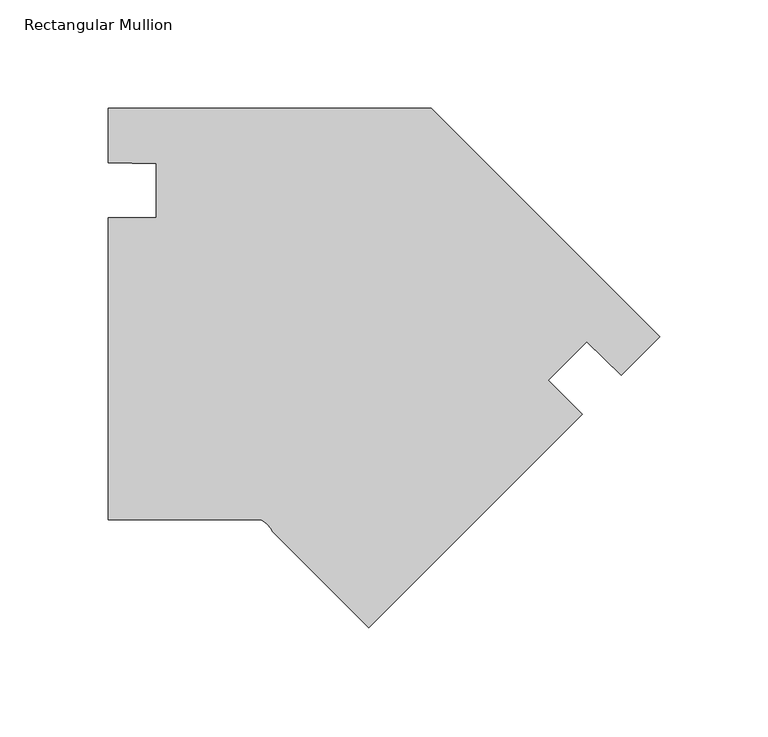
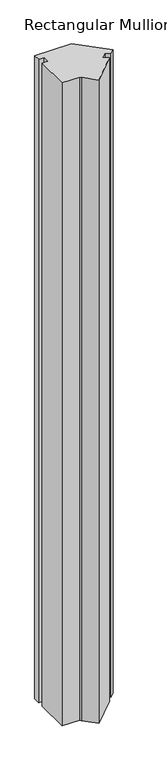
"""IFC4 building model written with IfcOpenShell, lengths in millimetres: member geometry, Rectangular Mullion."""

import ifcopenshell
import ifcopenshell.guid

model = None  # the IFC model being written
_history = None  # IfcOwnerHistory: only IFC2X3 demands one
_inside = {}  # id of a spatial element -> (the spatial element, [elements in it])
_under = {}  # id of a project, library or spatial element -> (it, [spatial elements below it])
_declared = {}  # id of a project -> (the project, [libraries it declares])
_typed = {}  # id of a type object -> (the type object, [elements of that type])
_made_of = {}  # id of a material, layer set ... -> (it, [elements and type objects made of it])


def new_model(schema):
    """Start an empty IFC model of exactly this schema.

    Asked for "IFC4X3", IfcOpenShell would pick the latest addendum, in which some entities
    have other attributes; the version numbers below select the first issue.
    IFC2X3 requires an IfcOwnerHistory on every rooted entity: one is made here for all.
    """
    global model, _history
    if schema == "IFC4X3":
        model = ifcopenshell.file(schema_version=(4, 3, 0, 0))
    else:
        model = ifcopenshell.file(schema=schema)
    _inside.clear()
    _under.clear()
    _declared.clear()
    _typed.clear()
    _made_of.clear()
    _history = None
    if model.schema == "IFC2X3":
        org = make("IfcOrganization", Name="unknown")
        user = make(
            "IfcPersonAndOrganization",
            ThePerson=make("IfcPerson", FamilyName="unknown"),
            TheOrganization=org,
        )
        app = make(
            "IfcApplication",
            ApplicationDeveloper=org,
            Version="unknown",
            ApplicationFullName="unknown",
            ApplicationIdentifier="unknown",
        )
        _history = make(
            "IfcOwnerHistory",
            OwningUser=user,
            OwningApplication=app,
            ChangeAction="ADDED",
            CreationDate=0,
        )
    return model


def make(cls, **values):
    """One entity of the class cls with the attributes given. An attribute that is None is left unset."""
    return model.create_entity(
        cls, **{name: value for name, value in values.items() if value is not None}
    )


def rooted(cls, **values):
    """An entity with a GlobalId (a new one), such as an element, a storey or a relation."""
    return make(cls, GlobalId=ifcopenshell.guid.new(), OwnerHistory=_history, **values)


def si_unit(unit_type, name, prefix=None):
    """IfcSIUnit, for example si_unit("LENGTHUNIT", "METRE", prefix="MILLI")."""
    return make("IfcSIUnit", UnitType=unit_type, Prefix=prefix, Name=name)


def assignment(units):
    """IfcUnitAssignment: the units of a project."""
    return None if units is None else make("IfcUnitAssignment", Units=units)


def point(xyz):
    """IfcCartesianPoint."""
    return None if xyz is None else make("IfcCartesianPoint", Coordinates=xyz)


def direction(xyz):
    """IfcDirection."""
    return None if xyz is None else make("IfcDirection", DirectionRatios=xyz)


def frame(location, z_axis=None, x_axis=None):
    """IfcAxis2Placement3D, a coordinate frame: its origin and axes. An axis left out is left unset."""
    return make(
        "IfcAxis2Placement3D",
        Location=point(location),
        Axis=direction(z_axis),
        RefDirection=direction(x_axis),
    )


def frame_2d(location, x_axis=None):
    """IfcAxis2Placement2D, a coordinate frame in the plane: its origin and x axis."""
    return make(
        "IfcAxis2Placement2D", Location=point(location), RefDirection=direction(x_axis)
    )


def origin():
    """The frame at (0, 0, 0) with its axes left unset."""
    return frame((0.0, 0.0, 0.0))


def place(relative_to, where):
    """IfcLocalPlacement: puts the frame where relative to a parent placement (None: the world)."""
    return make(
        "IfcLocalPlacement", PlacementRelTo=relative_to, RelativePlacement=where
    )


def context(
    kind, dimensions, precision=None, world=None, true_north=None, identifier=None
):
    """IfcGeometricRepresentationContext, for example the 3D "Model" context."""
    return make(
        "IfcGeometricRepresentationContext",
        ContextIdentifier=identifier,
        ContextType=kind,
        CoordinateSpaceDimension=dimensions,
        Precision=precision,
        WorldCoordinateSystem=world,
        TrueNorth=true_north,
    )


def project(units=None, contexts=None):
    """IfcProject with its units and contexts."""
    return rooted(
        "IfcProject",
        Name="project",
        RepresentationContexts=contexts,
        UnitsInContext=assignment(units),
    )


def spatial(cls, under=None, at=None, **own):
    """A site, building, storey or space (cls), placed at a placement, below another one or the project."""
    s = rooted(cls, ObjectPlacement=at, **own)
    if under is not None:
        _under.setdefault(under.id(), (under, []))[1].append(s)
    return s


def polyline(points):
    """IfcPolyline through the points."""
    return make("IfcPolyline", Points=[point(p) for p in points])


def circle_curve(where, radius):
    """IfcCircle in the frame where."""
    return make("IfcCircle", Position=where, Radius=radius)


def trimmed(basis, trim1, trim2, sense, master):
    """IfcTrimmedCurve: the piece of a basis curve between two trims."""
    return make(
        "IfcTrimmedCurve",
        BasisCurve=basis,
        Trim1=trim1,
        Trim2=trim2,
        SenseAgreement=sense,
        MasterRepresentation=master,
    )


def segment(curve, same_sense, transition):
    """IfcCompositeCurveSegment."""
    return make(
        "IfcCompositeCurveSegment",
        Transition=transition,
        SameSense=same_sense,
        ParentCurve=curve,
    )


def composite_curve(segments, self_intersect=None):
    """IfcCompositeCurve: segments joined end to end."""
    return make("IfcCompositeCurve", Segments=segments, SelfIntersect=self_intersect)


def outline(outer, holes=None, kind="AREA"):
    """IfcArbitraryClosedProfileDef: a profile drawn as a closed curve; with holes, ...WithVoids."""
    if holes is None:
        return make("IfcArbitraryClosedProfileDef", ProfileType=kind, OuterCurve=outer)
    return make(
        "IfcArbitraryProfileDefWithVoids",
        ProfileType=kind,
        OuterCurve=outer,
        InnerCurves=holes,
    )


def extrude(swept, where, along, depth):
    """IfcExtrudedAreaSolid: the profile swept, set in the frame where, extruded along a direction by depth."""
    return make(
        "IfcExtrudedAreaSolid",
        SweptArea=swept,
        Position=where,
        ExtrudedDirection=direction(along),
        Depth=depth,
    )


def shape(context_of_items, identifier, shape_type, items):
    """IfcShapeRepresentation: the items that make up one representation, for example the "Body"."""
    return make(
        "IfcShapeRepresentation",
        ContextOfItems=context_of_items,
        RepresentationIdentifier=identifier,
        RepresentationType=shape_type,
        Items=items,
    )


def source(mapping_origin, context_of_items, identifier, shape_type, items):
    """IfcRepresentationMap: a shape defined once, which mapped items show again and again."""
    return make(
        "IfcRepresentationMap",
        MappingOrigin=mapping_origin,
        MappedRepresentation=shape(context_of_items, identifier, shape_type, items),
    )


def transform(
    local_origin,
    x_axis=None,
    y_axis=None,
    z_axis=None,
    scale=None,
    scale2=None,
    scale3=None,
    uniform=True,
):
    """IfcCartesianTransformationOperator3D, or its non-uniform kind. x_axis, y_axis, z_axis: its Axis1, 2, 3."""
    if uniform:
        return make(
            "IfcCartesianTransformationOperator3D",
            Axis1=direction(x_axis),
            Axis2=direction(y_axis),
            LocalOrigin=point(local_origin),
            Scale=scale,
            Axis3=direction(z_axis),
        )
    return make(
        "IfcCartesianTransformationOperator3DnonUniform",
        Axis1=direction(x_axis),
        Axis2=direction(y_axis),
        LocalOrigin=point(local_origin),
        Scale=scale,
        Axis3=direction(z_axis),
        Scale2=scale2,
        Scale3=scale3,
    )


def mapped(mapping_source, mapping_target):
    """IfcMappedItem: shows the shape of a source again, moved by a transform."""
    return make(
        "IfcMappedItem", MappingSource=mapping_source, MappingTarget=mapping_target
    )


def made_of(thing, what):
    """Note that an element or type object is made of a material, layer set ...; save() writes the relation."""
    if what is not None:
        _made_of.setdefault(what.id(), (what, []))[1].append(thing)
    return thing


def element(
    cls,
    number,
    at=None,
    inside=None,
    cuts=None,
    type_object=None,
    material=None,
    context=None,
    identifier="Body",
    shape_type=None,
    held_by="IfcProductDefinitionShape",
    body=None,
    shapes=None,
    **own,
):
    """One element of the class cls, such as IfcWall. Its Tag is "e" and its number.

    at: its placement. inside: the storey or other place that contains it. cuts: it is an
    opening in that element (IfcRelVoidsElement). A single representation is given by context,
    identifier, shape_type and body (its items); several are given by shapes. held_by: the class
    of the entity that holds the representations. save() writes the other relations.
    """
    e = rooted(cls, Tag="e%d" % number, ObjectPlacement=at, **own)
    if body is not None:
        shapes = [shape(context, identifier, shape_type, body)]
    if shapes is not None:
        e.Representation = make(held_by, Representations=shapes)
    if inside is not None:
        _inside.setdefault(inside.id(), (inside, []))[1].append(e)
    if cuts is not None:
        rooted(
            "IfcRelVoidsElement", RelatingBuildingElement=cuts, RelatedOpeningElement=e
        )
    if type_object is not None:
        _typed.setdefault(type_object.id(), (type_object, []))[1].append(e)
    return made_of(e, material)


def aggregate(whole, parts):
    """IfcRelAggregates: a whole, such as a stair, and the parts it consists of."""
    return rooted("IfcRelAggregates", RelatingObject=whole, RelatedObjects=parts)


def save(model, path):
    """Write the relations noted so far, then the file.

    IfcRelAggregates (storeys below a building ...), IfcRelContainedInSpatialStructure (elements
    in a storey), IfcRelDefinesByType, IfcRelAssociatesMaterial and IfcRelDeclares: one each for
    every whole, place, type object, material and project.
    """
    for whole, parts in _under.values():
        aggregate(whole, parts)
    for where, things in _inside.values():
        rooted(
            "IfcRelContainedInSpatialStructure",
            RelatedElements=things,
            RelatingStructure=where,
        )
    for kind, things in _typed.values():
        rooted("IfcRelDefinesByType", RelatedObjects=things, RelatingType=kind)
    for what, things in _made_of.values():
        rooted("IfcRelAssociatesMaterial", RelatedObjects=things, RelatingMaterial=what)
    for by, libraries in _declared.values():
        rooted("IfcRelDeclares", RelatingContext=by, RelatedDefinitions=libraries)
    model.write(path)


def rectangular_mullion_ca6c7796(model_context):
    return source(origin(), model_context, "Body", "SweptSolid", [
        extrude(outline(composite_curve([segment(polyline([(-255.300259, -190.499995), (-255.300259, -50.8), (-233.0753722, -50.8), (-233.0753722, -25.7176283)]), True, "CONTINUOUS"), segment(trimmed(circle_curve(frame_2d((-250.9995072, -486.4078197)), 461.0387479), [point((-233.0753722, -25.7176283))], [point((-255.300259, -25.3891318))], True, "CARTESIAN"), True, "CONTINUOUS"), segment(polyline([(-255.300259, -25.3891318), (-255.300259, 0.0), (-105.7488353, 0.0), (0.0, -105.7488353), (-17.9528233, -123.7016587)]), True, "CONTINUOUS"), segment(trimmed(circle_curve(frame_2d((-346.9833545, -446.6500083)), 461.0387479), [point((-17.9528233, -123.7016587))], [point((-33.9004736, -108.2185726))], True, "CARTESIAN"), True, "CONTINUOUS"), segment(polyline([(-33.9004736, -108.2185726), (-51.6363887, -125.9544877), (-35.9210205, -141.6698559), (-134.7038343, -240.4526697), (-179.0978361, -196.0586679)]), True, "CONTINUOUS"), segment(trimmed(circle_curve(frame_2d((-188.6250637, -200.0809335)), 10.3415031), [point((-179.0978361, -196.0586679))], [point((-184.7324678, -190.499995))], True, "CARTESIAN"), True, "CONTINUOUS"), segment(polyline([(-184.7324678, -190.499995), (-255.300259, -190.499995)]), True, "CONTINUOUS")], self_intersect=False)), frame((0.0, 0.0, -2743.2), z_axis=(0.0, 0.0, 1.0), x_axis=(1.0, 0.0, 0.0)), (0.0, 0.0, 1.0), 2743.2),
    ])


if __name__ == "__main__":
    model = new_model("IFC4")
    model_context = context("Model", 3, world=origin())
    ifc_project = project(units=[si_unit("LENGTHUNIT", "METRE", prefix="MILLI")], contexts=[model_context])
    site = spatial("IfcSite", under=ifc_project)
    building = spatial("IfcBuilding", under=site)
    placement = place(None, origin())
    rectangular_mullion_shape = rectangular_mullion_ca6c7796(model_context)
    element("IfcMember", 1, ObjectType="Rectangular Mullion", at=placement, inside=building, context=model_context, shape_type="MappedRepresentation", body=[
        mapped(rectangular_mullion_shape, transform((0.0, 0.0, 0.0), x_axis=(1.0, 0.0, 0.0), y_axis=(0.0, 1.0, 0.0), z_axis=(0.0, 0.0, 1.0))),
    ])
    save(model, "model.ifc")
